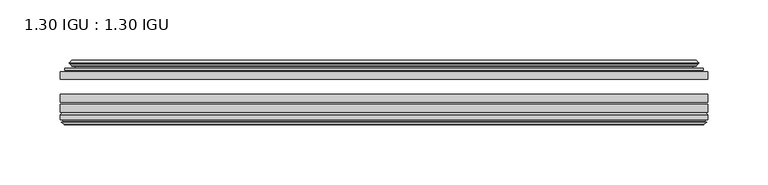
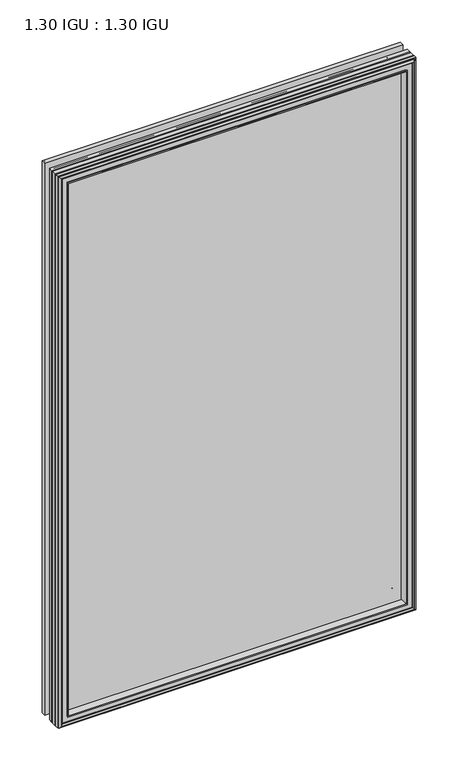
"""IFC4 building model written with IfcOpenShell, lengths in millimetres: plate geometry, 1.30 IGU : 1.30 IGU."""

from ifc_helpers import new_model, si_unit, frame, origin, place, context, project, spatial, polyline, ellipse_curve, outline, extrude, faceted_brep, source, transform, mapped, element, save
from ifc_brep_helpers import plane_surface, cylinder_surface, revolved_surface, advanced_brep


def plate_1_30_igu_1_30_igu_7e2ca5d0(model_context):
    return source(origin(), model_context, "Body", "SolidModel", [
        extrude(outline(polyline([(268.2205532, -44.92625), (268.2205532, -51.27625), (-268.2875, -51.27625), (-268.2875, -44.92625), (268.2205532, -44.92625)])), frame((0.0, 0.0, -14.2875), z_axis=(0.0, 0.0, 1.0), x_axis=(1.0, 0.0, 0.0)), (0.0, 0.0, 1.0), 873.125),
        extrude(outline(polyline([(-268.2875, -78.58125), (-268.2875, -72.23125), (268.2205532, -72.23125), (268.2205532, -78.58125), (-268.2875, -78.58125)])), frame((0.0, 0.0, -14.2875), z_axis=(0.0, 0.0, 1.0), x_axis=(1.0, 0.0, 0.0)), (0.0, 0.0, 1.0), 873.125),
        extrude(outline(polyline([(-268.2875, -70.32625), (-268.2875, -63.97625), (268.2205532, -63.97625), (268.2205532, -70.32625), (-268.2875, -70.32625)])), frame((0.0, 0.0, -14.2875), z_axis=(0.0, 0.0, 1.0), x_axis=(1.0, 0.0, 0.0)), (0.0, 0.0, 1.0), 873.125),
        advanced_brep(
        [(-249.9522902, -43.8351483, 840.5022902), (-250.3941004, -44.92625, 840.9441004), (-250.3941004, -44.92625, 3.6058996), (-249.9522902, -43.8351483, 4.0477098), (-254.0, -36.11245, 844.55), (-254.0, -36.11245, 0.0), (-259.1859109, -37.2935491, 849.7359109), (-259.1859109, -37.2935491, -5.1859109), (-258.8563356, -36.4664324, 849.4063356), (-258.8563356, -36.4664324, -4.8563356), (-258.8563356, -35.6521812, 849.4063356), (-258.8563356, -35.6521812, -4.8563356), (-260.6726111, -37.610817, 851.2226111), (-260.6726111, -37.610817, -6.6726111), (-260.6726111, -38.3239429, 851.2226111), (-260.6726111, -38.3239429, -6.6726111), (-258.8563356, -40.2727974, 849.4063356), (-258.8563356, -40.2727974, -4.8563356), (-258.8563356, -39.4683275, 849.4063356), (-258.8563356, -39.4683275, -4.8563356), (-259.1782501, -38.6604367, 849.7282501), (-259.1782501, -38.6604367, -5.1782501), (-256.6544379, -38.502045, 847.2044379), (-256.6544379, -38.502045, -2.6544379), (-255.6286217, -39.1897544, 846.1786217), (-255.6286217, -39.1897544, -1.6286217), (-255.7470288, -40.5842231, 846.2970288), (-255.7470288, -40.5842231, -1.7470288), (-256.3487748, -42.08145, 846.8987748), (-256.3487748, -42.08145, -2.3487748), (-264.2745553, -43.9898729, 854.8245553), (-263.7889245, -42.08145, 854.3389245), (-263.7889245, -42.08145, -9.7889245), (-264.2745553, -43.9898729, -10.2745553), (-262.5538155, -44.92625, 853.1038155), (-262.5538155, -44.92625, -8.5538155), (250.3941004, -44.92625, 3.6058996), (249.9522902, -43.8351483, 4.0477098), (254.0, -36.11245, 0.0), (259.1859109, -37.2935491, -5.1859109), (258.8563356, -36.4664324, -4.8563356), (258.8563356, -35.6521812, -4.8563356), (260.6726111, -37.610817, -6.6726111), (260.6726111, -38.3239429, -6.6726111), (258.8563356, -40.2727974, -4.8563356), (258.8563356, -39.4683275, -4.8563356), (259.1782501, -38.6604367, -5.1782501), (256.6544379, -38.502045, -2.6544379), (255.6286217, -39.1897544, -1.6286217), (255.7470288, -40.5842231, -1.7470288), (256.3487748, -42.08145, -2.3487748), (263.7889245, -42.08145, -9.7889245), (264.2745553, -43.9898729, -10.2745553), (262.5538155, -44.92625, -8.5538155), (250.3941004, -44.92625, 840.9441004), (249.9522902, -43.8351483, 840.5022902), (254.0, -36.11245, 844.55), (259.1859109, -37.2935491, 849.7359109), (258.8563356, -36.4664324, 849.4063356), (258.8563356, -35.6521812, 849.4063356), (260.6726111, -37.610817, 851.2226111), (260.6726111, -38.3239429, 851.2226111), (258.8563356, -40.2727974, 849.4063356), (258.8563356, -39.4683275, 849.4063356), (259.1782501, -38.6604367, 849.7282501), (256.6544379, -38.502045, 847.2044379), (255.6286217, -39.1897544, 846.1786217), (255.7470288, -40.5842231, 846.2970288), (256.3487748, -42.08145, 846.8987748), (263.7889245, -42.08145, 854.3389245), (264.2745553, -43.9898729, 854.8245553), (262.5538155, -44.92625, 853.1038155)],
        [
            (0, 1, ellipse_curve(frame((-250.3941004, -44.29125, 840.9441004), z_axis=(-0.7071067811865475, 0.0, -0.7071067811865475), x_axis=(-0.7071067811865474, 0.0, 0.7071067811865476)), 0.8980256, 0.635)),
            (1, 2),
            (2, 3, ellipse_curve(frame((-250.3941004, -44.29125, 3.6058996), z_axis=(-0.7071067811865475, 0.0, 0.7071067811865475), x_axis=(0.7071067811865474, 0.0, 0.7071067811865476)), 0.8980256, 0.635)),
            (3, 0),
            (4, 0, ellipse_curve(frame((-240.2672054, -33.8367745, 830.8172054), z_axis=(0.7071067811865475, 0.0, 0.7071067811865475), x_axis=(0.7071067811865474, 0.0, -0.7071067811865476)), 19.6859517, 13.9200699)),
            (3, 5, ellipse_curve(frame((-240.2672054, -33.8367745, 13.7327946), z_axis=(0.7071067811865475, 0.0, -0.7071067811865475), x_axis=(-0.7071067811865474, 0.0, -0.7071067811865476)), 19.6859517, 13.9200699)),
            (5, 4),
            (6, 4),
            (5, 7),
            (7, 6),
            (8, 6),
            (7, 9),
            (9, 8),
            (10, 8),
            (9, 11),
            (11, 10),
            (12, 10),
            (11, 13),
            (13, 12),
            (14, 12, ellipse_curve(frame((-260.3107729, -37.96738, 850.8607729), z_axis=(-0.7071067811865475, 0.0, -0.7071067811865475), x_axis=(-0.7071067811865474, 0.0, 0.7071067811865476)), 0.7184205, 0.508)),
            (13, 15, ellipse_curve(frame((-260.3107729, -37.96738, -6.3107729), z_axis=(-0.7071067811865475, 0.0, 0.7071067811865475), x_axis=(0.7071067811865474, 0.0, 0.7071067811865476)), 0.7184205, 0.508)),
            (15, 14),
            (16, 14),
            (15, 17),
            (17, 16),
            (18, 16),
            (17, 19),
            (19, 18),
            (20, 18),
            (19, 21),
            (21, 20),
            (22, 20),
            (21, 23),
            (23, 22),
            (24, 22, ellipse_curve(frame((-256.5908, -39.51605, 847.1408), z_axis=(0.7071067811865475, 0.0, 0.7071067811865475), x_axis=(0.7071067811865474, 0.0, -0.7071067811865476)), 1.436841, 1.016)),
            (23, 25, ellipse_curve(frame((-256.5908, -39.51605, -2.5908), z_axis=(0.7071067811865475, 0.0, -0.7071067811865475), x_axis=(-0.7071067811865474, 0.0, -0.7071067811865476)), 1.436841, 1.016)),
            (25, 24),
            (26, 24, ellipse_curve(frame((-257.9624, -39.69385, 848.5124), z_axis=(0.7071067811865475, 0.0, 0.7071067811865475), x_axis=(0.7071067811865474, 0.0, -0.7071067811865476)), 3.3765763, 2.3876)),
            (25, 27, ellipse_curve(frame((-257.9624, -39.69385, -3.9624), z_axis=(0.7071067811865475, 0.0, -0.7071067811865475), x_axis=(-0.7071067811865474, 0.0, -0.7071067811865476)), 3.3765763, 2.3876)),
            (27, 26),
            (28, 26),
            (27, 29),
            (29, 28),
            (30, 31, ellipse_curve(frame((-263.7889245, -43.09745, 854.3389245), z_axis=(-0.7071067811865475, 0.0, -0.7071067811865475), x_axis=(-0.7071067811865474, 0.0, 0.7071067811865476)), 1.436841, 1.016)),
            (31, 32),
            (32, 33, ellipse_curve(frame((-263.7889245, -43.09745, -9.7889245), z_axis=(-0.7071067811865475, 0.0, 0.7071067811865475), x_axis=(0.7071067811865474, 0.0, 0.7071067811865476)), 1.436841, 1.016)),
            (33, 30),
            (34, 30),
            (33, 35),
            (35, 34),
            (2, 36),
            (36, 37, ellipse_curve(frame((250.3941004, -44.29125, 3.6058996), z_axis=(-0.7071067811865475, 0.0, -0.7071067811865475), x_axis=(-0.7071067811865476, 0.0, 0.7071067811865474)), 0.8980256, 0.635)),
            (37, 3),
            (37, 38, ellipse_curve(frame((240.2672054, -33.8367745, 13.7327946), z_axis=(0.7071067811865475, 0.0, 0.7071067811865475), x_axis=(0.7071067811865476, 0.0, -0.7071067811865474)), 19.6859517, 13.9200699)),
            (38, 5),
            (38, 39),
            (39, 7),
            (39, 40),
            (40, 9),
            (40, 41),
            (41, 11),
            (41, 42),
            (42, 13),
            (42, 43, ellipse_curve(frame((260.3107729, -37.96738, -6.3107729), z_axis=(-0.7071067811865475, 0.0, -0.7071067811865475), x_axis=(-0.7071067811865476, 0.0, 0.7071067811865474)), 0.7184205, 0.508)),
            (43, 15),
            (43, 44),
            (44, 17),
            (44, 45),
            (45, 19),
            (45, 46),
            (46, 21),
            (46, 47),
            (47, 23),
            (47, 48, ellipse_curve(frame((256.5908, -39.51605, -2.5908), z_axis=(0.7071067811865475, 0.0, 0.7071067811865475), x_axis=(0.7071067811865476, 0.0, -0.7071067811865474)), 1.436841, 1.016)),
            (48, 25),
            (48, 49, ellipse_curve(frame((257.9624, -39.69385, -3.9624), z_axis=(0.7071067811865475, 0.0, 0.7071067811865475), x_axis=(0.7071067811865476, 0.0, -0.7071067811865474)), 3.3765763, 2.3876)),
            (49, 27),
            (49, 50),
            (50, 29),
            (32, 51),
            (51, 52, ellipse_curve(frame((263.7889245, -43.09745, -9.7889245), z_axis=(-0.7071067811865475, 0.0, -0.7071067811865475), x_axis=(-0.7071067811865476, 0.0, 0.7071067811865474)), 1.436841, 1.016)),
            (52, 33),
            (52, 53),
            (53, 35),
            (36, 54),
            (54, 55, ellipse_curve(frame((250.3941004, -44.29125, 840.9441004), z_axis=(0.7071067811865475, 0.0, -0.7071067811865475), x_axis=(-0.7071067811865474, 0.0, -0.7071067811865476)), 0.8980256, 0.635)),
            (55, 37),
            (55, 56, ellipse_curve(frame((240.2672054, -33.8367745, 830.8172054), z_axis=(-0.7071067811865475, 0.0, 0.7071067811865475), x_axis=(0.7071067811865474, 0.0, 0.7071067811865476)), 19.6859517, 13.9200699)),
            (56, 38),
            (56, 57),
            (57, 39),
            (57, 58),
            (58, 40),
            (58, 59),
            (59, 41),
            (59, 60),
            (60, 42),
            (60, 61, ellipse_curve(frame((260.3107729, -37.96738, 850.8607729), z_axis=(0.7071067811865475, 0.0, -0.7071067811865475), x_axis=(-0.7071067811865474, 0.0, -0.7071067811865476)), 0.7184205, 0.508)),
            (61, 43),
            (61, 62),
            (62, 44),
            (62, 63),
            (63, 45),
            (63, 64),
            (64, 46),
            (64, 65),
            (65, 47),
            (65, 66, ellipse_curve(frame((256.5908, -39.51605, 847.1408), z_axis=(-0.7071067811865475, 0.0, 0.7071067811865475), x_axis=(0.7071067811865474, 0.0, 0.7071067811865476)), 1.436841, 1.016)),
            (66, 48),
            (66, 67, ellipse_curve(frame((257.9624, -39.69385, 848.5124), z_axis=(-0.7071067811865475, 0.0, 0.7071067811865475), x_axis=(0.7071067811865474, 0.0, 0.7071067811865476)), 3.3765763, 2.3876)),
            (67, 49),
            (67, 68),
            (68, 50),
            (51, 69),
            (69, 70, ellipse_curve(frame((263.7889245, -43.09745, 854.3389245), z_axis=(0.7071067811865475, 0.0, -0.7071067811865475), x_axis=(-0.7071067811865474, 0.0, -0.7071067811865476)), 1.436841, 1.016)),
            (70, 52),
            (70, 71),
            (71, 53),
            (54, 1),
            (0, 55),
            (4, 56),
            (6, 57),
            (8, 58),
            (10, 59),
            (12, 60),
            (14, 61),
            (16, 62),
            (18, 63),
            (20, 64),
            (22, 65),
            (24, 66),
            (26, 67),
            (28, 68),
            (31, 69),
            (30, 70),
            (34, 71),
        ],
        [
            cylinder_surface(frame((-250.3941004, -44.29125, 876.3), z_axis=(0.0, 0.0, 1.0), x_axis=(-1.0, 0.0, 0.0)), 0.635),
            revolved_surface(polyline([(-254.18727529999998, -33.8367745, -0.18727534118079348), (-254.18727529999998, -33.8367745, 844.7372753411809)]), (-240.2672054, -33.8367745, 876.3), (0.0, 0.0, -1.0)),
            plane_surface(frame((-254.0, -36.11245, 844.55), z_axis=(-0.22206498442778655, 0.975031867525922, 0.0), x_axis=(0.0, 0.0, -1.0))),
            plane_surface(frame((-259.1859109, -37.2935491, 849.7359109), z_axis=(0.9289682685629922, -0.3701593656833182, 0.0), x_axis=(0.0, 0.0, -1.0))),
            plane_surface(frame((-258.8563356, -36.4664324, 849.4063356), z_axis=(1.0, 0.0, 0.0), x_axis=(0.0, 0.0, -1.0))),
            plane_surface(frame((-258.8563356, -35.6521812, 849.4063356), z_axis=(-0.7332521292723956, 0.6799568478348448, 0.0), x_axis=(0.0, 0.0, -1.0))),
            cylinder_surface(frame((-260.3107729, -37.96738, 876.3), z_axis=(0.0, 0.0, 1.0), x_axis=(-1.0, 0.0, 0.0)), 0.508),
            plane_surface(frame((-260.6726111, -38.3239429, 851.2226111), z_axis=(-0.7315522693036389, -0.6817853601220082, 0.0), x_axis=(0.0, 0.0, -1.0))),
            plane_surface(frame((-258.8563356, -40.2727974, 849.4063356), z_axis=(1.0, 0.0, 0.0), x_axis=(0.0, 0.0, -1.0))),
            plane_surface(frame((-258.8563356, -39.4683275, 849.4063356), z_axis=(0.9289682685631103, 0.37015936568302166, 0.0), x_axis=(0.0, 0.0, -1.0))),
            plane_surface(frame((-259.1782501, -38.6604367, 849.7282501), z_axis=(0.06263570119321643, -0.9980364567169048, 0.0), x_axis=(0.0, 0.0, -1.0))),
            revolved_surface(polyline([(-257.6068, -39.51605, -3.606800014586838), (-257.6068, -39.51605, 848.1568000145869)]), (-256.5908, -39.51605, 876.3), (0.0, 0.0, -1.0)),
            revolved_surface(polyline([(-260.35, -39.69385, -6.3499999989237494), (-260.35, -39.69385, 850.8999999989237)]), (-257.9624, -39.69385, 876.3), (0.0, 0.0, -1.0)),
            plane_surface(frame((-255.7470288, -40.5842231, 846.2970288), z_axis=(-0.9278652925428912, 0.372915538553028, 0.0), x_axis=(0.0, 0.0, -1.0))),
            cylinder_surface(frame((-263.7889245, -43.09745, 876.3), z_axis=(0.0, 0.0, 1.0), x_axis=(-1.0, 0.0, 0.0)), 1.016),
            plane_surface(frame((-264.2745553, -43.9898729, 854.8245553), z_axis=(-0.477983117370979, -0.8783690223979446, 0.0), x_axis=(0.0, 0.0, -1.0))),
            cylinder_surface(frame((-285.75, -44.29125, 3.6058996), z_axis=(-1.0, 0.0, 0.0), x_axis=(0.0, 0.0, -1.0)), 0.635),
            revolved_surface(polyline([(254.1872753411808, -33.8367745, -0.1872752999999996), (-254.18727534118085, -33.8367745, -0.1872752999999996)]), (-285.75, -33.8367745, 13.7327946), (1.0, 0.0, 0.0)),
            plane_surface(frame((-254.0, -36.11245, 0.0), z_axis=(0.0, 0.9750318675259212, -0.2220649844277897), x_axis=(1.0, 0.0, 0.0))),
            plane_surface(frame((-259.1859109, -37.2935491, -5.1859109), z_axis=(0.0, -0.3701593656833152, 0.9289682685629934), x_axis=(1.0, 0.0, 0.0))),
            plane_surface(frame((-258.8563356, -36.4664324, -4.8563356), z_axis=(0.0, 0.0, 1.0), x_axis=(1.0, 0.0, 0.0))),
            plane_surface(frame((-258.8563356, -35.6521812, -4.8563356), z_axis=(0.0, 0.6799568478348423, -0.7332521292723978), x_axis=(1.0, 0.0, 0.0))),
            cylinder_surface(frame((-285.75, -37.96738, -6.3107729), z_axis=(-1.0, 0.0, 0.0), x_axis=(0.0, 0.0, -1.0)), 0.508),
            plane_surface(frame((-260.6726111, -38.3239429, -6.6726111), z_axis=(0.0, -0.6817853601220105, -0.7315522693036367), x_axis=(1.0, 0.0, 0.0))),
            plane_surface(frame((-258.8563356, -40.2727974, -4.8563356), z_axis=(0.0, 0.0, 1.0), x_axis=(1.0, 0.0, 0.0))),
            plane_surface(frame((-258.8563356, -39.4683275, -4.8563356), z_axis=(0.0, 0.37015936568302465, 0.9289682685631091), x_axis=(1.0, 0.0, 0.0))),
            plane_surface(frame((-259.1782501, -38.6604367, -5.1782501), z_axis=(0.0, -0.9980364567169046, 0.06263570119321968), x_axis=(1.0, 0.0, 0.0))),
            revolved_surface(polyline([(257.60680001458684, -39.51605, -3.6068000000000002), (-257.60680001458684, -39.51605, -3.6068000000000002)]), (-285.75, -39.51605, -2.5908), (1.0, 0.0, 0.0)),
            revolved_surface(polyline([(260.34999999892375, -39.69385, -6.35), (-260.3499999989238, -39.69385, -6.35)]), (-285.75, -39.69385, -3.9624), (1.0, 0.0, 0.0)),
            plane_surface(frame((-255.7470288, -40.5842231, -1.7470288), z_axis=(0.0, 0.372915538553025, -0.9278652925428924), x_axis=(1.0, 0.0, 0.0))),
            cylinder_surface(frame((-285.75, -43.09745, -9.7889245), z_axis=(-1.0, 0.0, 0.0), x_axis=(0.0, 0.0, -1.0)), 1.016),
            plane_surface(frame((-264.2745553, -43.9898729, -10.2745553), z_axis=(0.0, -0.8783690223979462, -0.47798311737097615), x_axis=(1.0, 0.0, 0.0))),
            cylinder_surface(frame((250.3941004, -44.29125, -31.75), z_axis=(0.0, 0.0, -1.0), x_axis=(1.0, 0.0, 0.0)), 0.635),
            revolved_surface(polyline([(254.18727529999998, -33.8367745, 844.7372753411809), (254.18727529999998, -33.8367745, -0.1872753411808432)]), (240.2672054, -33.8367745, -31.75), (0.0, 0.0, 1.0)),
            plane_surface(frame((254.0, -36.11245, 0.0), z_axis=(0.2220649844277929, 0.9750318675259205, 0.0), x_axis=(0.0, 0.0, 1.0))),
            plane_surface(frame((259.1859109, -37.2935491, -5.1859109), z_axis=(-0.9289682685629946, -0.3701593656833122, 0.0), x_axis=(0.0, 0.0, 1.0))),
            plane_surface(frame((258.8563356, -36.4664324, -4.8563356), z_axis=(-1.0, 0.0, 0.0), x_axis=(0.0, 0.0, 1.0))),
            plane_surface(frame((258.8563356, -35.6521812, -4.8563356), z_axis=(0.7332521292724, 0.6799568478348399, 0.0), x_axis=(0.0, 0.0, 1.0))),
            cylinder_surface(frame((260.3107729, -37.96738, -31.75), z_axis=(0.0, 0.0, -1.0), x_axis=(1.0, 0.0, 0.0)), 0.508),
            plane_surface(frame((260.6726111, -38.3239429, -6.6726111), z_axis=(0.7315522693036345, -0.6817853601220129, 0.0), x_axis=(0.0, 0.0, 1.0))),
            plane_surface(frame((258.8563356, -40.2727974, -4.8563356), z_axis=(-1.0, 0.0, 0.0), x_axis=(0.0, 0.0, 1.0))),
            plane_surface(frame((258.8563356, -39.4683275, -4.8563356), z_axis=(-0.928968268563108, 0.3701593656830277, 0.0), x_axis=(0.0, 0.0, 1.0))),
            plane_surface(frame((259.1782501, -38.6604367, -5.1782501), z_axis=(-0.06263570119322293, -0.9980364567169043, 0.0), x_axis=(0.0, 0.0, 1.0))),
            revolved_surface(polyline([(257.6068, -39.51605, 848.1568000145869), (257.6068, -39.51605, -3.606800014586863)]), (256.5908, -39.51605, -31.75), (0.0, 0.0, 1.0)),
            revolved_surface(polyline([(260.35, -39.69385, 850.8999999989237), (260.35, -39.69385, -6.349999998923781)]), (257.9624, -39.69385, -31.75), (0.0, 0.0, 1.0)),
            plane_surface(frame((255.7470288, -40.5842231, -1.7470288), z_axis=(0.9278652925428936, 0.372915538553022, 0.0), x_axis=(0.0, 0.0, 1.0))),
            cylinder_surface(frame((263.7889245, -43.09745, -31.75), z_axis=(0.0, 0.0, -1.0), x_axis=(1.0, 0.0, 0.0)), 1.016),
            plane_surface(frame((264.2745553, -43.9898729, -10.2745553), z_axis=(0.47798311737097327, -0.8783690223979478, 0.0), x_axis=(0.0, 0.0, 1.0))),
            cylinder_surface(frame((285.75, -44.29125, 840.9441004), z_axis=(1.0, 0.0, 0.0), x_axis=(0.0, 0.0, 1.0)), 0.635),
            revolved_surface(polyline([(-254.1872753411808, -33.8367745, 844.7372753000001), (254.18727534118085, -33.8367745, 844.7372753000001)]), (285.75, -33.8367745, 830.8172054), (-1.0, 0.0, 0.0)),
            plane_surface(frame((254.0, -36.11245, 844.55), z_axis=(0.0, 0.9750318675259213, 0.22206498442778974), x_axis=(-1.0, 0.0, 0.0))),
            plane_surface(frame((259.1859109, -37.2935491, 849.7359109), z_axis=(0.0, -0.3701593656833152, -0.9289682685629934), x_axis=(-1.0, 0.0, 0.0))),
            plane_surface(frame((258.8563356, -36.4664324, 849.4063356), z_axis=(0.0, 0.0, -1.0), x_axis=(-1.0, 0.0, 0.0))),
            plane_surface(frame((258.8563356, -35.6521812, 849.4063356), z_axis=(0.0, 0.6799568478348423, 0.7332521292723978), x_axis=(-1.0, 0.0, 0.0))),
            cylinder_surface(frame((285.75, -37.96738, 850.8607729), z_axis=(1.0, 0.0, 0.0), x_axis=(0.0, 0.0, 1.0)), 0.508),
            plane_surface(frame((260.6726111, -38.3239429, 851.2226111), z_axis=(0.0, -0.6817853601220105, 0.7315522693036367), x_axis=(-1.0, 0.0, 0.0))),
            plane_surface(frame((258.8563356, -40.2727974, 849.4063356), z_axis=(0.0, 0.0, -1.0), x_axis=(-1.0, 0.0, 0.0))),
            plane_surface(frame((258.8563356, -39.4683275, 849.4063356), z_axis=(0.0, 0.3701593656830247, -0.9289682685631092), x_axis=(-1.0, 0.0, 0.0))),
            plane_surface(frame((259.1782501, -38.6604367, 849.7282501), z_axis=(0.0, -0.9980364567169046, -0.06263570119321968), x_axis=(-1.0, 0.0, 0.0))),
            revolved_surface(polyline([(-257.60680001458684, -39.51605, 848.1568), (257.60680001458684, -39.51605, 848.1568)]), (285.75, -39.51605, 847.1408), (-1.0, 0.0, 0.0)),
            revolved_surface(polyline([(-260.34999999892375, -39.69385, 850.9), (260.3499999989238, -39.69385, 850.9)]), (285.75, -39.69385, 848.5124), (-1.0, 0.0, 0.0)),
            plane_surface(frame((255.7470288, -40.5842231, 846.2970288), z_axis=(0.0, 0.372915538553025, 0.9278652925428924), x_axis=(-1.0, 0.0, 0.0))),
            plane_surface(frame((256.3487748, -42.08145, 846.8987748), z_axis=(0.0, 1.0, 0.0), x_axis=(-1.0, 0.0, 0.0))),
            cylinder_surface(frame((285.75, -43.09745, 854.3389245), z_axis=(1.0, 0.0, 0.0), x_axis=(0.0, 0.0, 1.0)), 1.016),
            plane_surface(frame((264.2745553, -43.9898729, 854.8245553), z_axis=(0.0, -0.8783690223979462, 0.47798311737097615), x_axis=(-1.0, 0.0, 0.0))),
            plane_surface(frame((262.5538155, -44.92625, 853.1038155), z_axis=(0.0, -1.0, 0.0), x_axis=(-1.0, 0.0, 0.0))),
        ],
        [
            (0, [[1, 2, 3, 4]]),
            (1, [[5, -4, 6, 7]]),
            (2, [[8, -7, 9, 10]]),
            (3, [[11, -10, 12, 13]]),
            (4, [[14, -13, 15, 16]]),
            (5, [[17, -16, 18, 19]]),
            (6, [[20, -19, 21, 22]]),
            (7, [[23, -22, 24, 25]]),
            (8, [[26, -25, 27, 28]]),
            (9, [[29, -28, 30, 31]]),
            (10, [[32, -31, 33, 34]]),
            (11, [[35, -34, 36, 37]]),
            (12, [[38, -37, 39, 40]]),
            (13, [[41, -40, 42, 43]]),
            (14, [[44, 45, 46, 47]]),
            (15, [[48, -47, 49, 50]]),
            (16, [[-3, 51, 52, 53]]),
            (17, [[-6, -53, 54, 55]]),
            (18, [[-9, -55, 56, 57]]),
            (19, [[-12, -57, 58, 59]]),
            (20, [[-15, -59, 60, 61]]),
            (21, [[-18, -61, 62, 63]]),
            (22, [[-21, -63, 64, 65]]),
            (23, [[-24, -65, 66, 67]]),
            (24, [[-27, -67, 68, 69]]),
            (25, [[-30, -69, 70, 71]]),
            (26, [[-33, -71, 72, 73]]),
            (27, [[-36, -73, 74, 75]]),
            (28, [[-39, -75, 76, 77]]),
            (29, [[-42, -77, 78, 79]]),
            (30, [[-46, 80, 81, 82]]),
            (31, [[-49, -82, 83, 84]]),
            (32, [[-52, 85, 86, 87]]),
            (33, [[-54, -87, 88, 89]]),
            (34, [[-56, -89, 90, 91]]),
            (35, [[-58, -91, 92, 93]]),
            (36, [[-60, -93, 94, 95]]),
            (37, [[-62, -95, 96, 97]]),
            (38, [[-64, -97, 98, 99]]),
            (39, [[-66, -99, 100, 101]]),
            (40, [[-68, -101, 102, 103]]),
            (41, [[-70, -103, 104, 105]]),
            (42, [[-72, -105, 106, 107]]),
            (43, [[-74, -107, 108, 109]]),
            (44, [[-76, -109, 110, 111]]),
            (45, [[-78, -111, 112, 113]]),
            (46, [[-81, 114, 115, 116]]),
            (47, [[-83, -116, 117, 118]]),
            (48, [[-86, 119, -1, 120]]),
            (49, [[-88, -120, -5, 121]]),
            (50, [[-90, -121, -8, 122]]),
            (51, [[-92, -122, -11, 123]]),
            (52, [[-94, -123, -14, 124]]),
            (53, [[-96, -124, -17, 125]]),
            (54, [[-98, -125, -20, 126]]),
            (55, [[-100, -126, -23, 127]]),
            (56, [[-102, -127, -26, 128]]),
            (57, [[-104, -128, -29, 129]]),
            (58, [[-106, -129, -32, 130]]),
            (59, [[-108, -130, -35, 131]]),
            (60, [[-110, -131, -38, 132]]),
            (61, [[-112, -132, -41, 133]]),
            (62, [[134, -114, -80, -45], [-79, -113, -133, -43]]),
            (63, [[-115, -134, -44, 135]]),
            (64, [[-117, -135, -48, 136]]),
            (65, [[-84, -118, -136, -50], [-119, -85, -51, -2]]),
        ],
    ),
        faceted_brep([(-250.1457827, -78.58125, 840.6957827), (-252.7120798, -87.47125, 843.2620798), (-252.7120798, -87.47125, 1.2879202), (-250.1457827, -78.58125, 3.8542173), (-268.3002, -80.7883102, 858.8502), (-266.0931398, -78.58125, 856.6431398), (-266.0931398, -78.58125, -12.0931398), (-268.3002, -80.7883102, -14.3002), (-268.3002, -84.93125, 858.8502), (-268.3002, -84.93125, -14.3002), (-265.8811775, -86.11489, 856.4311775), (-266.7203682, -84.93125, 857.2703682), (-266.7203682, -84.93125, -12.7203682), (-265.8811775, -86.11489, -11.8811775), (-265.684, -87.4125884, 856.234), (-265.684, -87.4125884, -11.684), (-266.65966, -86.8828917, 857.20966), (-266.65966, -86.8828917, -12.65966), (-265.1252, -88.6999663, 855.6752), (-267.4523305, -86.8828917, 858.0023305), (-267.4523305, -86.8828917, -13.4523305), (-265.1252, -88.6999663, -11.1252), (-262.7980695, -86.8828917, 853.3480695), (-262.7980695, -86.8828917, -8.7980695), (-264.5664, -87.4125884, 855.1164), (-263.59074, -86.8828917, 854.14074), (-263.59074, -86.8828917, -9.59074), (-264.5664, -87.4125884, -10.5664), (-264.3692225, -86.11489, 854.9192225), (-264.3692225, -86.11489, -10.3692225), (-263.4996, -84.93125, 854.0496), (-263.4996, -84.93125, -9.4996), (-254.3513667, -87.47125, 844.9013667), (-253.8222, -84.93125, 844.3722), (-253.8222, -84.93125, 0.1778), (-254.3513667, -87.47125, -0.3513667), (252.7120798, -87.47125, 1.2879202), (250.1457827, -78.58125, 3.8542173), (266.0931398, -78.58125, -12.0931398), (268.3002, -80.7883102, -14.3002), (268.3002, -84.93125, -14.3002), (266.7203682, -84.93125, -12.7203682), (265.8811775, -86.11489, -11.8811775), (265.684, -87.4125884, -11.684), (266.65966, -86.8828917, -12.65966), (267.4523305, -86.8828917, -13.4523305), (265.1252, -88.6999663, -11.1252), (262.7980695, -86.8828917, -8.7980695), (263.59074, -86.8828917, -9.59074), (264.5664, -87.4125884, -10.5664), (264.3692225, -86.11489, -10.3692225), (263.4996, -84.93125, -9.4996), (253.8222, -84.93125, 0.1778), (254.3513667, -87.47125, -0.3513667), (252.7120798, -87.47125, 843.2620798), (250.1457827, -78.58125, 840.6957827), (266.0931398, -78.58125, 856.6431398), (268.3002, -80.7883102, 858.8502), (268.3002, -84.93125, 858.8502), (266.7203682, -84.93125, 857.2703682), (265.8811775, -86.11489, 856.4311775), (265.684, -87.4125884, 856.234), (266.65966, -86.8828917, 857.20966), (267.4523305, -86.8828917, 858.0023305), (265.1252, -88.6999663, 855.6752), (262.7980695, -86.8828917, 853.3480695), (263.59074, -86.8828917, 854.14074), (264.5664, -87.4125884, 855.1164), (264.3692225, -86.11489, 854.9192225), (263.4996, -84.93125, 854.0496), (253.8222, -84.93125, 844.3722), (254.3513667, -87.47125, 844.9013667)], [[[0, 1, 2, 3]], [[4, 5, 6, 7]], [[8, 4, 7, 9]], [[10, 11, 12, 13]], [[14, 10, 13, 15]], [[16, 14, 15, 17]], [[18, 19, 20, 21]], [[22, 18, 21, 23]], [[24, 25, 26, 27]], [[28, 24, 27, 29]], [[30, 28, 29, 31]], [[32, 33, 34, 35]], [[3, 2, 36, 37]], [[7, 6, 38, 39]], [[9, 7, 39, 40]], [[13, 12, 41, 42]], [[15, 13, 42, 43]], [[17, 15, 43, 44]], [[21, 20, 45, 46]], [[23, 21, 46, 47]], [[27, 26, 48, 49]], [[29, 27, 49, 50]], [[31, 29, 50, 51]], [[35, 34, 52, 53]], [[37, 36, 54, 55]], [[39, 38, 56, 57]], [[40, 39, 57, 58]], [[42, 41, 59, 60]], [[43, 42, 60, 61]], [[44, 43, 61, 62]], [[46, 45, 63, 64]], [[47, 46, 64, 65]], [[49, 48, 66, 67]], [[50, 49, 67, 68]], [[51, 50, 68, 69]], [[53, 52, 70, 71]], [[55, 54, 1, 0]], [[5, 56, 38, 6], [3, 37, 55, 0]], [[57, 56, 5, 4]], [[58, 57, 4, 8]], [[9, 40, 58, 8], [11, 59, 41, 12]], [[60, 59, 11, 10]], [[61, 60, 10, 14]], [[62, 61, 14, 16]], [[19, 63, 45, 20], [17, 44, 62, 16]], [[64, 63, 19, 18]], [[65, 64, 18, 22]], [[25, 66, 48, 26], [23, 47, 65, 22]], [[67, 66, 25, 24]], [[68, 67, 24, 28]], [[69, 68, 28, 30]], [[31, 51, 69, 30], [33, 70, 52, 34]], [[71, 70, 33, 32]], [[35, 53, 71, 32], [1, 54, 36, 2]]]),
    ])


if __name__ == "__main__":
    model = new_model("IFC4")
    model_context = context("Model", 3, world=origin())
    ifc_project = project(units=[si_unit("LENGTHUNIT", "METRE", prefix="MILLI")], contexts=[model_context])
    site = spatial("IfcSite", under=ifc_project)
    building = spatial("IfcBuilding", under=site)
    placement = place(None, origin())
    plate_1_30_igu_1_30_igu_shape = plate_1_30_igu_1_30_igu_7e2ca5d0(model_context)
    element("IfcPlate", 1, ObjectType="1.30 IGU : 1.30 IGU", at=placement, inside=building, context=model_context, shape_type="MappedRepresentation", body=[
        mapped(plate_1_30_igu_1_30_igu_shape, transform((0.0, 0.0, 0.0), x_axis=(1.0, 0.0, 0.0), y_axis=(0.0, 1.0, 0.0), z_axis=(0.0, 0.0, 1.0))),
    ])
    save(model, "model.ifc")
